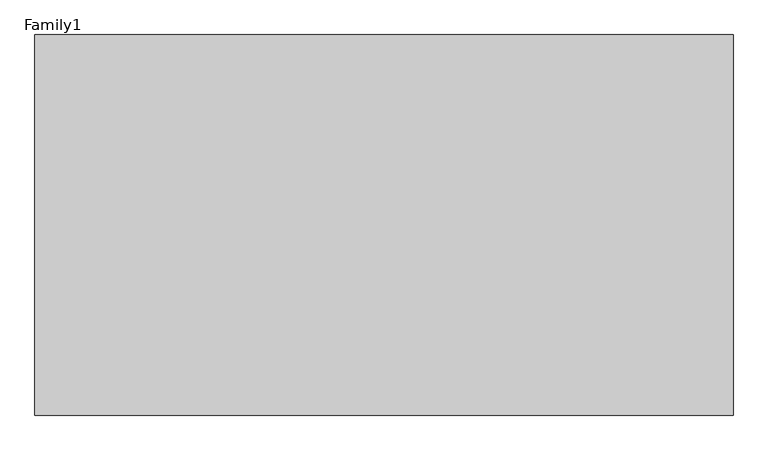
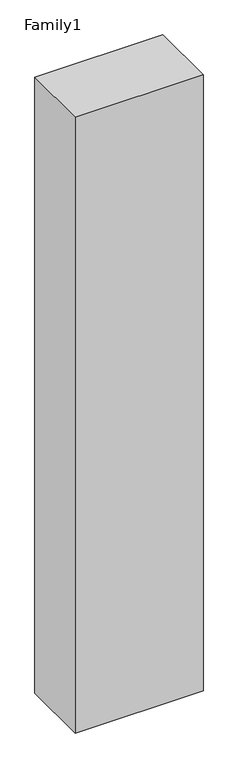
"""IFC4 building model written with IfcOpenShell, lengths in millimetres: proxy geometry, Family1."""

from ifc_helpers import new_model, si_unit, origin, origin_with_axes, place, context, project, spatial, polyline, outline, extrude, source, transform, mapped, element, save


def family1_86fee04a(model_context):
    return source(origin(), model_context, "Body", "SweptSolid", [
        extrude(outline(polyline([(5500.0, 0.0), (0.0, 0.0), (0.0, 3000.0), (5500.0, 3000.0), (5500.0, 0.0)])), origin_with_axes(), (0.0, 0.0, 1.0), 28000.0),
    ])


if __name__ == "__main__":
    model = new_model("IFC4")
    model_context = context("Model", 3, world=origin())
    ifc_project = project(units=[si_unit("LENGTHUNIT", "METRE", prefix="MILLI")], contexts=[model_context])
    site = spatial("IfcSite", under=ifc_project)
    building = spatial("IfcBuilding", under=site)
    placement = place(None, origin())
    family1_shape = family1_86fee04a(model_context)
    element("IfcBuildingElementProxy", 1, Name="Family1", ObjectType="Family1", at=placement, inside=building, context=model_context, shape_type="MappedRepresentation", body=[
        mapped(family1_shape, transform((0.0, 0.0, 0.0), x_axis=(1.0, 0.0, 0.0), y_axis=(0.0, 1.0, 0.0), z_axis=(0.0, 0.0, 1.0))),
    ])
    save(model, "model.ifc")
